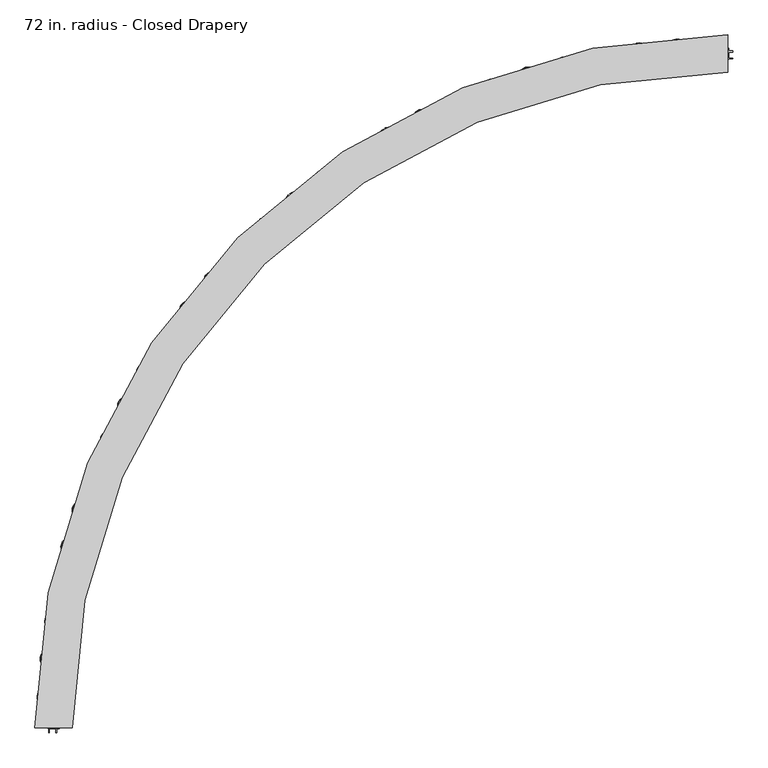
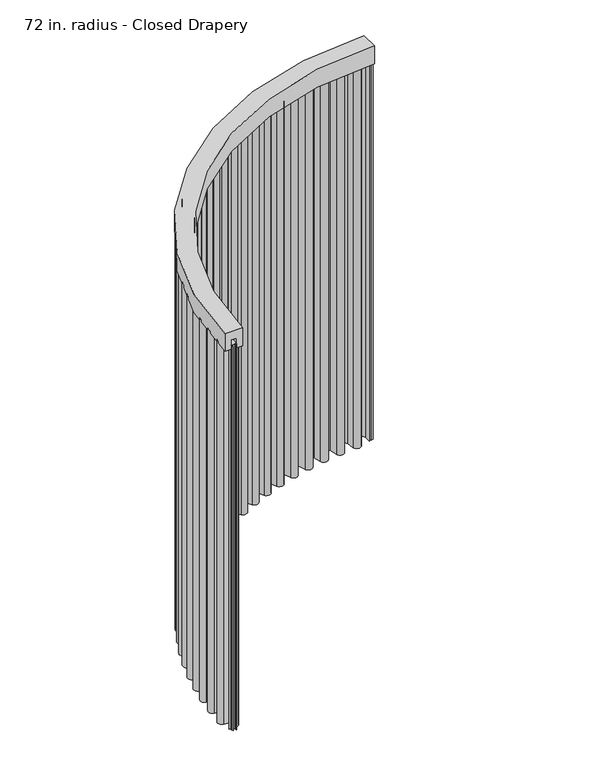
"""IFC4 building model written with IfcOpenShell, lengths in millimetres: furniture geometry, 72 in. radius - Closed Drapery."""

from ifc_helpers import new_model, si_unit, point, frame, frame_2d, origin, place, context, project, spatial, polyline, circle_curve, trimmed, segment, composite_curve, outline, extrude, source, transform, mapped, element, save
from ifc_brep_helpers import plane_surface, cylinder_surface, revolved_surface, advanced_brep


def furniture_72_in_radius_closed_drapery_8a0c59e8(model_context):
    return source(origin(), model_context, "Body", "SolidModel", [
        advanced_brep(
        [(38.1006913, 1880.0004562, 2438.4), (38.1006913, 1778.4004562, 2438.4), (38.1006913, 1778.4004562, 2331.8390625), (38.1006913, 1813.9821615, 2331.8390625), (38.1006913, 1813.9821615, 2388.7001663), (38.1006913, 1844.418751, 2388.7001663), (38.1006913, 1844.418751, 2331.8390625), (38.1006913, 1880.0004562, 2331.8390625), (-1841.899765, 0.0, 2438.4), (-1841.899765, 0.0, 2331.8390625), (-1806.3180598, 0.0, 2331.8390625), (-1806.3180598, 0.0, 2388.7001663), (-1775.8814702, 0.0, 2388.7001663), (-1775.8814702, 0.0, 2331.8390625), (-1740.299765, 0.0, 2331.8390625), (-1740.299765, 0.0, 2438.4)],
        [
            (0, 1),
            (1, 2),
            (2, 3),
            (3, 4),
            (4, 5),
            (5, 6),
            (6, 7),
            (7, 0),
            (8, 9),
            (9, 10),
            (10, 11),
            (11, 12),
            (12, 13),
            (13, 14),
            (14, 15),
            (15, 8),
            (15, 1, circle_curve(frame((38.1006913, 0.0, 2438.4), z_axis=(0.0, 0.0, -1.0), x_axis=(0.0, 1.0, 0.0)), 1778.4004562)),
            (0, 8, circle_curve(frame((38.1006913, 0.0, 2438.4), z_axis=(0.0, 0.0, 1.0), x_axis=(0.0, 1.0, 0.0)), 1880.0004562)),
            (14, 2, circle_curve(frame((38.1006913, 0.0, 2331.8390625), z_axis=(0.0, 0.0, -1.0), x_axis=(0.0, 1.0, 0.0)), 1778.4004562)),
            (7, 9, circle_curve(frame((38.1006913, 0.0, 2331.8390625), z_axis=(0.0, 0.0, 1.0), x_axis=(0.0, 1.0, 0.0)), 1880.0004562)),
            (13, 3, circle_curve(frame((38.1006913, 0.0, 2331.8390625), z_axis=(0.0, 0.0, -1.0), x_axis=(0.0, 1.0, 0.0)), 1813.9821615)),
            (12, 4, circle_curve(frame((38.1006913, 0.0, 2388.7001663), z_axis=(0.0, 0.0, -1.0), x_axis=(0.0, 1.0, 0.0)), 1813.9821615)),
            (11, 5, circle_curve(frame((38.1006913, 0.0, 2388.7001663), z_axis=(0.0, 0.0, -1.0), x_axis=(0.0, 1.0, 0.0)), 1844.418751)),
            (10, 6, circle_curve(frame((38.1006913, 0.0, 2331.8390625), z_axis=(0.0, 0.0, -1.0), x_axis=(0.0, 1.0, 0.0)), 1844.418751)),
        ],
        [
            plane_surface(frame((38.1006913, 0.0, 2451.1), z_axis=(1.0, 0.0, 0.0), x_axis=(0.0, 1.0, 0.0))),
            plane_surface(frame((38.1006913, 0.0, 2451.1), z_axis=(0.0, -1.0, 0.0), x_axis=(-1.0, 0.0, 0.0))),
            plane_surface(frame((38.1006913, 0.0, 2438.4), z_axis=(0.0, 0.0, 1.0), x_axis=(0.0, 1.0, 0.0))),
            revolved_surface(polyline([(38.1006913, 1778.4004562, 2438.4), (38.1006913, 1778.4004562, 2331.8390625)]), (38.1006913, 0.0, 2451.1), (0.0, 0.0, 1.0)),
            cylinder_surface(frame((38.1006913, 0.0, 2451.1), z_axis=(0.0, 0.0, 1.0), x_axis=(0.0, 1.0, 0.0)), 1880.0004562),
            plane_surface(frame((38.1006913, 0.0, 2331.8390625), z_axis=(0.0, 0.0, -1.0), x_axis=(0.0, 1.0, 0.0))),
            cylinder_surface(frame((38.1006913, 0.0, 2451.1), z_axis=(0.0, 0.0, 1.0), x_axis=(0.0, 1.0, 0.0)), 1813.9821615),
            plane_surface(frame((38.1006913, 0.0, 2388.7001663), z_axis=(0.0, 0.0, -1.0), x_axis=(0.0, 1.0, 0.0))),
            revolved_surface(polyline([(38.1006913, 1844.418751, 2388.7001663), (38.1006913, 1844.418751, 2331.8390625)]), (38.1006913, 0.0, 2451.1), (0.0, 0.0, 1.0)),
        ],
        [
            (0, [[1, 2, 3, 4, 5, 6, 7, 8]]),
            (1, [[9, 10, 11, 12, 13, 14, 15, 16]]),
            (2, [[17, -1, 18, -16]]),
            (3, [[19, -2, -17, -15]]),
            (4, [[-18, -8, 20, -9]]),
            (5, [[21, -3, -19, -14]]),
            (6, [[22, -4, -21, -13]]),
            (7, [[23, -5, -22, -12]]),
            (8, [[24, -6, -23, -11]]),
            (5, [[-20, -7, -24, -10]]),
        ],
    ),
        extrude(outline(composite_curve([segment(polyline([(-1813.2675039, 8.7991729), (-1813.2675039, 9.5929229), (-1772.6295579, 9.5929229)]), True, "CONTINUOUS"), segment(trimmed(circle_curve(frame_2d((-1772.6295579, 32.2004487)), 22.6075258), [point((-1772.6295579, 9.5929229))], [point((-1769.6769803, 54.6143396))], True, "CARTESIAN"), True, "CONTINUOUS"), segment(polyline([(-1769.6769803, 54.6143396), (-1814.6857035, 60.54333)]), True, "CONTINUOUS"), segment(trimmed(circle_curve(frame_2d((-1811.5275882, 84.5175193)), 24.1813036), [point((-1814.6857035, 60.54333))], [point((-1812.4998595, 108.6792688))], False, "CARTESIAN"), True, "CONTINUOUS"), segment(polyline([(-1812.4998595, 108.6792688), (-1767.1091523, 110.5057956)]), True, "CONTINUOUS"), segment(trimmed(circle_curve(frame_2d((-1768.0180469, 133.0925785)), 22.6050625), [point((-1767.1091523, 110.5057956))], [point((-1763.8193529, 155.3042831))], True, "CARTESIAN"), True, "CONTINUOUS"), segment(polyline([(-1763.8193529, 155.3042831), (-1808.286458, 163.7099309)]), True, "CONTINUOUS"), segment(trimmed(circle_curve(frame_2d((-1803.7922369, 187.4850177)), 24.1961314), [point((-1808.286458, 163.7099309))], [point((-1803.4140194, 211.6781929))], False, "CARTESIAN"), True, "CONTINUOUS"), segment(polyline([(-1803.4140194, 211.6781929), (-1758.1420693, 210.9704462)]), True, "CONTINUOUS"), segment(trimmed(circle_curve(frame_2d((-1757.788763, 233.5701509)), 22.6024662), [point((-1758.1420693, 210.9704462))], [point((-1752.3573521, 255.5103253))], True, "CARTESIAN"), True, "CONTINUOUS"), segment(polyline([(-1752.3573521, 255.5103253), (-1796.4292649, 266.4205699)]), True, "CONTINUOUS"), segment(trimmed(circle_curve(frame_2d((-1790.6174697, 289.897306)), 24.1854108), [point((-1796.4292649, 266.4205699))], [point((-1788.8901204, 314.0209533))], False, "CARTESIAN"), True, "CONTINUOUS"), segment(polyline([(-1788.8901204, 314.0209533), (-1743.5851539, 310.7769372)]), True, "CONTINUOUS"), segment(trimmed(circle_curve(frame_2d((-1741.9710116, 333.3195691)), 22.6003475), [point((-1743.5851539, 310.7769372))], [point((-1735.3239561, 354.9203182))], True, "CARTESIAN"), True, "CONTINUOUS"), segment(polyline([(-1735.3239561, 354.9203182), (-1778.5125348, 368.2104535)]), True, "CONTINUOUS"), segment(trimmed(circle_curve(frame_2d((-1771.3933974, 391.345314)), 24.2054516), [point((-1778.5125348, 368.2104535))], [point((-1768.3195733, 415.3548016))], False, "CARTESIAN"), True, "CONTINUOUS"), segment(polyline([(-1768.3195733, 415.3548016), (-1723.5637359, 409.6249178)]), True, "CONTINUOUS"), segment(trimmed(circle_curve(frame_2d((-1720.6927841, 432.0497797)), 22.6078923), [point((-1723.5637359, 409.6249178))], [point((-1712.8477053, 453.2528817))], True, "CARTESIAN"), True, "CONTINUOUS"), segment(polyline([(-1712.8477053, 453.2528817), (-1755.3793884, 468.9894662)]), True, "CONTINUOUS"), segment(trimmed(circle_curve(frame_2d((-1746.9867429, 491.6724911)), 24.1858661), [point((-1755.3793884, 468.9894662))], [point((-1742.5810222, 515.4536967))], False, "CARTESIAN"), True, "CONTINUOUS"), segment(polyline([(-1742.5810222, 515.4536967), (-1697.7640357, 507.1508743)]), True, "CONTINUOUS"), segment(trimmed(circle_curve(frame_2d((-1693.6505392, 529.3547116)), 22.5816572), [point((-1697.7640357, 507.1508743))], [point((-1684.644538, 550.0627581))], True, "CARTESIAN"), True, "CONTINUOUS"), segment(polyline([(-1684.644538, 550.0627581), (-1726.3426429, 568.1974083)]), True, "CONTINUOUS"), segment(trimmed(circle_curve(frame_2d((-1716.6931292, 590.3851225)), 24.1952015), [point((-1726.3426429, 568.1974083))], [point((-1710.9645402, 613.8923776))], False, "CARTESIAN"), True, "CONTINUOUS"), segment(polyline([(-1710.9645402, 613.8923776), (-1667.1292609, 603.2099608)]), True, "CONTINUOUS"), segment(trimmed(circle_curve(frame_2d((-1661.7731813, 625.1886241)), 22.621875), [point((-1667.1292609, 603.2099608))], [point((-1651.6072198, 645.3975937))], True, "CARTESIAN"), True, "CONTINUOUS"), segment(polyline([(-1651.6072198, 645.3975937), (-1691.7651569, 665.5987249)]), True, "CONTINUOUS"), segment(trimmed(circle_curve(frame_2d((-1680.8857945, 687.2258679)), 24.209375), [point((-1691.7651569, 665.5987249))], [point((-1673.8498546, 710.390267))], False, "CARTESIAN"), True, "CONTINUOUS"), segment(polyline([(-1673.8498546, 710.390267), (-1630.8375466, 697.3257357)]), True, "CONTINUOUS"), segment(trimmed(circle_curve(frame_2d((-1624.2629798, 718.9711579)), 22.621875), [point((-1630.8375466, 697.3257357))], [point((-1612.9847645, 738.5811321))], True, "CARTESIAN"), True, "CONTINUOUS"), segment(polyline([(-1612.9847645, 738.5811321), (-1651.9526335, 760.9925851)]), True, "CONTINUOUS"), segment(trimmed(circle_curve(frame_2d((-1639.8829645, 781.9786979)), 24.209375), [point((-1651.9526335, 760.9925851))], [point((-1631.564904, 804.7142143))], False, "CARTESIAN"), True, "CONTINUOUS"), segment(polyline([(-1631.564904, 804.7142143), (-1589.3483107, 789.268769)]), True, "CONTINUOUS"), segment(trimmed(circle_curve(frame_2d((-1581.5756968, 810.5134319)), 22.621875), [point((-1589.3483107, 789.268769))], [point((-1569.2204104, 829.4632637))], True, "CARTESIAN"), True, "CONTINUOUS"), segment(polyline([(-1569.2204104, 829.4632637), (-1606.8765453, 854.0150556)]), True, "CONTINUOUS"), segment(trimmed(circle_curve(frame_2d((-1593.6542213, 874.2947002)), 24.209375), [point((-1606.8765453, 854.0150556))], [point((-1584.0799774, 896.5304303))], False, "CARTESIAN"), True, "CONTINUOUS"), segment(polyline([(-1584.0799774, 896.5304303), (-1542.7920826, 878.7527196)]), True, "CONTINUOUS"), segment(trimmed(circle_curve(frame_2d((-1533.8456579, 899.5303691)), 22.621875), [point((-1542.7920826, 878.7527196))], [point((-1520.4517928, 917.7609369))], True, "CARTESIAN"), True, "CONTINUOUS"), segment(polyline([(-1520.4517928, 917.7609369), (-1556.6783212, 944.3763028)]), True, "CONTINUOUS"), segment(trimmed(circle_curve(frame_2d((-1542.3445357, 963.8862088)), 24.209375), [point((-1556.6783212, 944.3763028))], [point((-1531.5440207, 985.5528355))], False, "CARTESIAN"), True, "CONTINUOUS"), segment(polyline([(-1531.5440207, 985.5528355), (-1491.3127076, 965.49808)]), True, "CONTINUOUS"), segment(trimmed(circle_curve(frame_2d((-1481.220423, 985.7439443)), 22.621875), [point((-1491.3127076, 965.49808))], [point((-1466.8298301, 1003.1984584))], True, "CARTESIAN"), True, "CONTINUOUS"), segment(polyline([(-1466.8298301, 1003.1984584), (-1501.5145614, 1031.7947198)]), True, "CONTINUOUS"), segment(trimmed(circle_curve(frame_2d((-1486.1141024, 1050.4741121)), 24.209375), [point((-1501.5145614, 1031.7947198))], [point((-1474.1209556, 1071.5040495))], False, "CARTESIAN"), True, "CONTINUOUS"), segment(polyline([(-1474.1209556, 1071.5040495), (-1435.0715605, 1049.2346001)]), True, "CONTINUOUS"), segment(trimmed(circle_curve(frame_2d((-1423.8648496, 1068.8855253)), 22.621875), [point((-1435.0715605, 1049.2346001))], [point((-1408.5223554, 1085.509517))], True, "CARTESIAN"), True, "CONTINUOUS"), segment(polyline([(-1408.5223554, 1085.509517), (-1441.5564396, 1115.9970949)]), True, "CONTINUOUS"), segment(trimmed(circle_curve(frame_2d((-1425.1372792, 1133.7876826)), 24.209375), [point((-1441.5564396, 1115.9970949))], [point((-1411.9889102, 1154.1153541))], False, "CARTESIAN"), True, "CONTINUOUS"), segment(polyline([(-1411.9889102, 1154.1153541), (-1374.2437703, 1129.7009971)]), True, "CONTINUOUS"), segment(trimmed(circle_curve(frame_2d((-1361.9575893, 1148.6957065)), 22.621875), [point((-1374.2437703, 1129.7009971))], [point((-1345.7110388, 1164.4373336))], True, "CARTESIAN"), True, "CONTINUOUS"), segment(polyline([(-1345.7110388, 1164.4373336), (-1376.9916265, 1196.7212674)]), True, "CONTINUOUS"), segment(trimmed(circle_curve(frame_2d((-1359.6049671, 1213.5675701)), 24.209375), [point((-1376.9916265, 1196.7212674))], [point((-1345.3423961, 1233.1295973))], False, "CARTESIAN"), True, "CONTINUOUS"), segment(polyline([(-1345.3423961, 1233.1295973), (-1309.0188842, 1206.6463159)]), True, "CONTINUOUS"), segment(trimmed(circle_curve(frame_2d((-1295.6915637, 1224.9255872)), 22.621875), [point((-1309.0188842, 1206.6463159))], [point((-1278.5916131, 1239.7357497))], True, "CARTESIAN"), True, "CONTINUOUS"), segment(polyline([(-1278.5916131, 1239.7357497), (-1308.0214637, 1273.7157274)]), True, "CONTINUOUS"), segment(trimmed(circle_curve(frame_2d((-1289.7215165, 1289.5651997)), 24.209375), [point((-1308.0214637, 1273.7157274))], [point((-1274.3891813, 1308.3005495))], False, "CARTESIAN"), True, "CONTINUOUS"), segment(polyline([(-1274.3891813, 1308.3005495), (-1239.6008033, 1279.8309945)]), True, "CONTINUOUS"), segment(trimmed(circle_curve(frame_2d((-1225.2738671, 1297.3377968)), 22.621875), [point((-1239.6008033, 1279.8309945))], [point((-1207.3738537, 1311.1703218))], True, "CARTESIAN"), True, "CONTINUOUS"), segment(polyline([(-1207.3738537, 1311.1703218), (-1234.8608729, 1346.7399672)]), True, "CONTINUOUS"), segment(trimmed(circle_curve(frame_2d((-1215.7047182, 1361.5431958)), 24.209375), [point((-1234.8608729, 1346.7399672))], [point((-1199.3504829, 1379.393485))], False, "CARTESIAN"), True, "CONTINUOUS"), segment(polyline([(-1199.3504829, 1379.393485), (-1166.2058206, 1349.0267163)]), True, "CONTINUOUS"), segment(trimmed(circle_curve(frame_2d((-1150.9239942, 1365.7064948)), 22.621875), [point((-1166.2058206, 1349.0267163))], [point((-1132.279733, 1378.5182376))], True, "CARTESIAN"), True, "CONTINUOUS"), segment(polyline([(-1132.279733, 1378.5182376), (-1157.738412, 1415.5669253)]), True, "CONTINUOUS"), segment(trimmed(circle_curve(frame_2d((-1137.7857816, 1429.2777378)), 24.209375), [point((-1157.738412, 1415.5669253))], [point((-1120.4605652, 1446.1872237))], False, "CARTESIAN"), True, "CONTINUOUS"), segment(polyline([(-1120.4605652, 1446.1872237), (-1089.062185, 1414.0168941)]), True, "CONTINUOUS"), segment(trimmed(circle_curve(frame_2d((-1072.8730483, 1429.8175613)), 22.621875), [point((-1089.062185, 1414.0168941))], [point((-1053.5426951, 1441.5685899))], True, "CARTESIAN"), True, "CONTINUOUS"), segment(polyline([(-1053.5426951, 1441.5685899), (-1076.8938403, 1479.9810469)]), True, "CONTINUOUS"), segment(trimmed(circle_curve(frame_2d((-1056.2069711, 1492.5567091)), 24.209375), [point((-1076.8938403, 1479.9810469))], [point((-1037.9648725, 1508.4727287))], False, "CARTESIAN"), True, "CONTINUOUS"), segment(polyline([(-1037.9648725, 1508.4727287), (-1008.4114706, 1474.6001849)]), True, "CONTINUOUS"), segment(trimmed(circle_curve(frame_2d((-991.3655753, 1489.4725311)), 22.621875), [point((-1008.4114706, 1474.6001849))], [point((-971.4093961, 1500.1261756))], True, "CARTESIAN"), True, "CONTINUOUS"), segment(polyline([(-971.4093961, 1500.1261756), (-992.5797144, 1539.7819631)]), True, "CONTINUOUS"), segment(trimmed(circle_curve(frame_2d((-971.2231016, 1551.1832318)), 24.209375), [point((-992.5797144, 1539.7819631))], [point((-952.1210116, 1566.0561601))], False, "CARTESIAN"), True, "CONTINUOUS"), segment(polyline([(-952.1210116, 1566.0561601), (-924.5043905, 1530.5866701)]), True, "CONTINUOUS"), segment(trimmed(circle_curve(frame_2d((-906.6548966, 1544.4843244)), 22.621875), [point((-924.5043905, 1530.5866701))], [point((-886.1351386, 1554.007389))], True, "CARTESIAN"), True, "CONTINUOUS"), segment(polyline([(-886.1351386, 1554.007389), (-905.0586836, 1594.7827672)]), True, "CONTINUOUS"), segment(trimmed(circle_curve(frame_2d((-883.0989426, 1604.9741171)), 24.209375), [point((-905.0586836, 1594.7827672))], [point((-863.1964067, 1618.7575457))], False, "CARTESIAN"), True, "CONTINUOUS"), segment(polyline([(-863.1964067, 1618.7575457), (-837.6029731, 1581.8019925)]), True, "CONTINUOUS"), segment(trimmed(circle_curve(frame_2d((-819.0055215, 1594.6815897)), 22.621875), [point((-837.6029731, 1581.8019925))], [point((-797.9861596, 1603.0443436))], True, "CARTESIAN"), True, "CONTINUOUS"), segment(polyline([(-797.9861596, 1603.0443436), (-814.6040421, 1644.8125569)]), True, "CONTINUOUS"), segment(trimmed(circle_curve(frame_2d((-792.1096373, 1653.7621707)), 24.209375), [point((-814.6040421, 1644.8125569))], [point((-771.4687111, 1666.4130998))], False, "CARTESIAN"), True, "CONTINUOUS"), segment(polyline([(-771.4687111, 1666.4130998), (-747.9778893, 1628.0860872)]), True, "CONTINUOUS"), segment(trimmed(circle_curve(frame_2d((-728.6904665, 1639.9074471)), 22.621875), [point((-747.9778893, 1628.0860872))], [point((-707.2370656, 1647.0838541))], True, "CARTESIAN"), True, "CONTINUOUS"), segment(polyline([(-707.2370656, 1647.0838541), (-721.4975431, 1689.7146217)]), True, "CONTINUOUS"), segment(trimmed(circle_curve(frame_2d((-698.5386403, 1697.3946363)), 24.209375), [point((-721.4975431, 1689.7146217))], [point((-677.2237153, 1708.8736523))], False, "CARTESIAN"), True, "CONTINUOUS"), segment(polyline([(-677.2237153, 1708.8736523), (-655.9091491, 1669.2954882)]), True, "CONTINUOUS"), segment(trimmed(circle_curve(frame_2d((-635.9919241, 1680.0217819)), 22.621875), [point((-655.9091491, 1669.2954882))], [point((-614.1713746, 1685.9894323))], True, "CARTESIAN"), True, "CONTINUOUS"), segment(polyline([(-614.1713746, 1685.9894323), (-626.0299477, 1729.3499784)]), True, "CONTINUOUS"), segment(trimmed(circle_curve(frame_2d((-602.6781317, 1735.7364113)), 24.209375), [point((-626.0299477, 1729.3499784))], [point((-580.7556498, 1746.0076636))], False, "CARTESIAN"), True, "CONTINUOUS"), segment(polyline([(-580.7556498, 1746.0076636), (-561.6835639, 1705.3010932)]), True, "CONTINUOUS"), segment(trimmed(circle_curve(frame_2d((-541.1986218, 1714.8988209)), 22.621875), [point((-561.6835639, 1705.3010932))], [point((-519.0789674, 1719.6390866))], True, "CARTESIAN"), True, "CONTINUOUS"), segment(polyline([(-519.0789674, 1719.6390866), (-528.498553, 1763.5940017)]), True, "CONTINUOUS"), segment(trimmed(circle_curve(frame_2d((-504.8266421, 1768.6669176)), 24.209375), [point((-528.498553, 1763.5940017))], [point((-482.3649866, 1777.6984107))], False, "CARTESIAN"), True, "CONTINUOUS"), segment(polyline([(-482.3649866, 1777.6984107), (-465.5949678, 1735.9907572)]), True, "CONTINUOUS"), segment(trimmed(circle_curve(frame_2d((-444.6062077, 1744.4300213)), 22.621875), [point((-465.5949678, 1735.9907572))], [point((-422.2564376, 1747.9281644))], True, "CARTESIAN"), True, "CONTINUOUS"), segment(polyline([(-422.2564376, 1747.9281644), (-429.2077427, 1792.3403186)]), True, "CONTINUOUS"), segment(trimmed(circle_curve(frame_2d((-405.2895677, 1796.0839454)), 24.209375), [point((-429.2077427, 1792.3403186))], [point((-382.3587904, 1803.8475328))], False, "CARTESIAN"), True, "CONTINUOUS"), segment(polyline([(-382.3587904, 1803.8475328), (-367.9431125, 1761.2689311)]), True, "CONTINUOUS"), segment(trimmed(circle_curve(frame_2d((-346.5159927, 1768.5234308)), 22.621875), [point((-367.9431125, 1761.2689311))], [point((-324.0057991, 1770.7685167))], True, "CARTESIAN"), True, "CONTINUOUS"), segment(polyline([(-324.0057991, 1770.7685167), (-328.467077, 1815.4992011)]), True, "CONTINUOUS"), segment(trimmed(circle_curve(frame_2d((-304.3772207, 1817.9018369)), 24.209375), [point((-328.467077, 1815.4992011))], [point((-281.0488231, 1824.3732901))], False, "CARTESIAN"), True, "CONTINUOUS"), segment(polyline([(-281.0488231, 1824.3732901), (-269.0323872, 1781.0562501)]), True, "CONTINUOUS"), segment(trimmed(circle_curve(frame_2d((-247.2337206, 1787.1033457)), 22.621875), [point((-269.0323872, 1781.0562501))], [point((-224.6333019, 1788.0883838))], True, "CARTESIAN"), True, "CONTINUOUS"), segment(polyline([(-224.6333019, 1788.0883838), (-226.5907125, 1832.9986255)]), True, "CONTINUOUS"), segment(trimmed(circle_curve(frame_2d((-202.4042994, 1834.0527891)), 24.209375), [point((-226.5907125, 1832.9986255))], [point((-178.7510289, 1839.2119199))], False, "CARTESIAN"), True, "CONTINUOUS"), segment(polyline([(-178.7510289, 1839.2119199), (-169.1713628, 1795.2916473)]), True, "CONTINUOUS"), segment(trimmed(circle_curve(frame_2d((-147.0691264, 1800.1124745)), 22.621875), [point((-169.1713628, 1795.2916473))], [point((-124.4489607, 1799.834385))], True, "CARTESIAN"), True, "CONTINUOUS"), segment(polyline([(-124.4489607, 1799.834385), (-123.8963582, 1844.7837917)]), True, "CONTINUOUS"), segment(trimmed(circle_curve(frame_2d((-99.6888125, 1844.4861871)), 24.209375), [point((-123.8963582, 1844.7837917))], [point((-75.7844324, 1848.3169115))], False, "CARTESIAN"), True, "CONTINUOUS"), segment(polyline([(-75.7844324, 1848.3169115), (-68.6714093, 1803.9304224)]), True, "CONTINUOUS"), segment(trimmed(circle_curve(frame_2d((-46.3345295, 1807.5099517)), 22.621875), [point((-68.6714093, 1803.9304224))], [point((-23.7651576, 1805.9696015))], True, "CARTESIAN"), True, "CONTINUOUS"), segment(polyline([(-23.7651576, 1805.9696015), (-20.7230836, 1850.5423857)]), True, "CONTINUOUS"), segment(trimmed(circle_curve(frame_2d((3.4301039, 1848.8939406)), 24.209375), [point((-20.7230836, 1850.5423857))], [point((27.6394789, 1848.8939406))], False, "CARTESIAN"), True, "CONTINUOUS"), segment(polyline([(27.6394789, 1848.8939406), (27.6394789, 1809.2121951), (26.8457289, 1809.2121951), (26.8457289, 1848.8939406)]), True, "CONTINUOUS"), segment(trimmed(circle_curve(frame_2d((3.4301039, 1848.8939406)), 23.415625), [point((26.8457289, 1848.8939406))], [point((-19.9311758, 1850.4883383))], True, "CARTESIAN"), True, "CONTINUOUS"), segment(polyline([(-19.9311758, 1850.4883383), (-22.9732498, 1805.9155541)]), True, "CONTINUOUS"), segment(trimmed(circle_curve(frame_2d((-46.3345295, 1807.5099517)), 23.415625), [point((-22.9732498, 1805.9155541))], [point((-69.4551595, 1803.8048249))], False, "CARTESIAN"), True, "CONTINUOUS"), segment(polyline([(-69.4551595, 1803.8048249), (-76.5681825, 1848.1913139)]), True, "CONTINUOUS"), segment(trimmed(circle_curve(frame_2d((-99.6888125, 1844.4861871)), 23.415625), [point((-76.5681825, 1848.1913139))], [point((-123.1026682, 1844.7740341))], True, "CARTESIAN"), True, "CONTINUOUS"), segment(polyline([(-123.1026682, 1844.7740341), (-123.6552707, 1799.8246275)]), True, "CONTINUOUS"), segment(trimmed(circle_curve(frame_2d((-147.0691264, 1800.1124745)), 23.415625), [point((-123.6552707, 1799.8246275))], [point((-169.9468798, 1795.1224955))], False, "CARTESIAN"), True, "CONTINUOUS"), segment(polyline([(-169.9468798, 1795.1224955), (-179.526546, 1839.0427681)]), True, "CONTINUOUS"), segment(trimmed(circle_curve(frame_2d((-202.4042994, 1834.0527891)), 23.415625), [point((-179.526546, 1839.0427681))], [point((-225.7977153, 1833.0331882))], True, "CARTESIAN"), True, "CONTINUOUS"), segment(polyline([(-225.7977153, 1833.0331882), (-223.8403047, 1788.1229466)]), True, "CONTINUOUS"), segment(trimmed(circle_curve(frame_2d((-247.2337206, 1787.1033457)), 23.415625), [point((-223.8403047, 1788.1229466))], [point((-269.7972527, 1780.8440713))], False, "CARTESIAN"), True, "CONTINUOUS"), segment(polyline([(-269.7972527, 1780.8440713), (-281.8136886, 1824.1611113)]), True, "CONTINUOUS"), segment(trimmed(circle_curve(frame_2d((-304.3772207, 1817.9018369)), 23.415625), [point((-281.8136886, 1824.1611113))], [point((-327.6772457, 1815.577976))], True, "CARTESIAN"), True, "CONTINUOUS"), segment(polyline([(-327.6772457, 1815.577976), (-323.2159677, 1770.8472917)]), True, "CONTINUOUS"), segment(trimmed(circle_curve(frame_2d((-346.5159927, 1768.5234308)), 23.415625), [point((-323.2159677, 1770.8472917))], [point((-368.6949413, 1761.0143872))], False, "CARTESIAN"), True, "CONTINUOUS"), segment(polyline([(-368.6949413, 1761.0143872), (-383.1106191, 1803.592989)]), True, "CONTINUOUS"), segment(trimmed(circle_curve(frame_2d((-405.2895677, 1796.0839454)), 23.415625), [point((-383.1106191, 1803.592989))], [point((-428.4235402, 1792.4630604))], True, "CARTESIAN"), True, "CONTINUOUS"), segment(polyline([(-428.4235402, 1792.4630604), (-421.4722351, 1748.0509062)]), True, "CONTINUOUS"), segment(trimmed(circle_curve(frame_2d((-444.6062077, 1744.4300213)), 23.415625), [point((-421.4722351, 1748.0509062))], [point((-466.3314155, 1735.6946427))], False, "CARTESIAN"), True, "CONTINUOUS"), segment(polyline([(-466.3314155, 1735.6946427), (-483.1014343, 1777.4022962)]), True, "CONTINUOUS"), segment(trimmed(circle_curve(frame_2d((-504.8266421, 1768.6669176)), 23.415625), [point((-483.1014343, 1777.4022962))], [point((-527.7224247, 1763.7603268))], True, "CARTESIAN"), True, "CONTINUOUS"), segment(polyline([(-527.7224247, 1763.7603268), (-518.3028392, 1719.8054117)]), True, "CONTINUOUS"), segment(trimmed(circle_curve(frame_2d((-541.1986218, 1714.8988209)), 23.415625), [point((-518.3028392, 1719.8054117))], [point((-562.4023338, 1704.9643309))], False, "CARTESIAN"), True, "CONTINUOUS"), segment(polyline([(-562.4023338, 1704.9643309), (-581.4744197, 1745.6709013)]), True, "CONTINUOUS"), segment(trimmed(circle_curve(frame_2d((-602.6781317, 1735.7364113)), 23.415625), [point((-581.4744197, 1745.6709013))], [point((-625.2643144, 1729.5593696))], True, "CARTESIAN"), True, "CONTINUOUS"), segment(polyline([(-625.2643144, 1729.5593696), (-613.4057413, 1686.1988235)]), True, "CONTINUOUS"), segment(trimmed(circle_curve(frame_2d((-635.9919241, 1680.0217819)), 23.415625), [point((-613.4057413, 1686.1988235))], [point((-656.6079991, 1668.919127))], False, "CARTESIAN"), True, "CONTINUOUS"), segment(polyline([(-656.6079991, 1668.919127), (-677.9225653, 1708.4972911)]), True, "CONTINUOUS"), segment(trimmed(circle_curve(frame_2d((-698.5386403, 1697.3946363)), 23.415625), [point((-677.9225653, 1708.4972911))], [point((-720.7447921, 1689.9664255))], True, "CARTESIAN"), True, "CONTINUOUS"), segment(polyline([(-720.7447921, 1689.9664255), (-706.4843147, 1647.3356579)]), True, "CONTINUOUS"), segment(trimmed(circle_curve(frame_2d((-728.6904665, 1639.9074471)), 23.415625), [point((-706.4843147, 1647.3356579))], [point((-748.654641, 1627.6713026))], False, "CARTESIAN"), True, "CONTINUOUS"), segment(polyline([(-748.654641, 1627.6713026), (-772.1454628, 1665.9983152)]), True, "CONTINUOUS"), segment(trimmed(circle_curve(frame_2d((-792.1096373, 1653.7621707)), 23.415625), [point((-772.1454628, 1665.9983152))], [point((-813.8665207, 1645.1059869))], True, "CARTESIAN"), True, "CONTINUOUS"), segment(polyline([(-813.8665207, 1645.1059869), (-797.2486381, 1603.3377735)]), True, "CONTINUOUS"), segment(trimmed(circle_curve(frame_2d((-819.0055215, 1594.6815897)), 23.415625), [point((-797.2486381, 1603.3377735))], [point((-838.2555152, 1581.3500768))], False, "CARTESIAN"), True, "CONTINUOUS"), segment(polyline([(-838.2555152, 1581.3500768), (-863.8489489, 1618.30563)]), True, "CONTINUOUS"), segment(trimmed(circle_curve(frame_2d((-883.0989426, 1604.9741171)), 23.415625), [point((-863.8489489, 1618.30563))], [point((-904.3386921, 1595.1169098))], True, "CARTESIAN"), True, "CONTINUOUS"), segment(polyline([(-904.3386921, 1595.1169098), (-885.4151471, 1554.3415317)]), True, "CONTINUOUS"), segment(trimmed(circle_curve(frame_2d((-906.6548966, 1544.4843244)), 23.415625), [point((-885.4151471, 1554.3415317))], [point((-925.1306886, 1530.0990331))], False, "CARTESIAN"), True, "CONTINUOUS"), segment(polyline([(-925.1306886, 1530.0990331), (-952.7473097, 1565.5685231)]), True, "CONTINUOUS"), segment(trimmed(circle_curve(frame_2d((-971.2231016, 1551.1832318)), 23.415625), [point((-952.7473097, 1565.5685231))], [point((-991.8794976, 1540.1557751))], True, "CARTESIAN"), True, "CONTINUOUS"), segment(polyline([(-991.8794976, 1540.1557751), (-970.7091793, 1500.4999877)]), True, "CONTINUOUS"), segment(trimmed(circle_curve(frame_2d((-991.3655753, 1489.4725311)), 23.415625), [point((-970.7091793, 1500.4999877))], [point((-1009.0095722, 1474.0783482))], False, "CARTESIAN"), True, "CONTINUOUS"), segment(polyline([(-1009.0095722, 1474.0783482), (-1038.5629741, 1507.950892)]), True, "CONTINUOUS"), segment(trimmed(circle_curve(frame_2d((-1056.2069711, 1492.5567091)), 23.415625), [point((-1038.5629741, 1507.950892))], [point((-1076.2155822, 1480.3933637))], True, "CARTESIAN"), True, "CONTINUOUS"), segment(polyline([(-1076.2155822, 1480.3933637), (-1052.8644371, 1441.9809067)]), True, "CONTINUOUS"), segment(trimmed(circle_curve(frame_2d((-1072.8730483, 1429.8175613)), 23.415625), [point((-1052.8644371, 1441.9809067))], [point((-1089.6302249, 1413.4624848))], False, "CARTESIAN"), True, "CONTINUOUS"), segment(polyline([(-1089.6302249, 1413.4624848), (-1121.028605, 1445.6328143)]), True, "CONTINUOUS"), segment(trimmed(circle_curve(frame_2d((-1137.7857816, 1429.2777378)), 23.415625), [point((-1121.028605, 1445.6328143))], [point((-1157.0842274, 1416.0164601))], True, "CARTESIAN"), True, "CONTINUOUS"), segment(polyline([(-1157.0842274, 1416.0164601), (-1131.6255484, 1378.9677725)]), True, "CONTINUOUS"), segment(trimmed(circle_curve(frame_2d((-1150.9239942, 1365.7064948)), 23.415625), [point((-1131.6255484, 1378.9677725))], [point((-1166.742025, 1348.4414609))], False, "CARTESIAN"), True, "CONTINUOUS"), segment(polyline([(-1166.742025, 1348.4414609), (-1199.8866874, 1378.8082296)]), True, "CONTINUOUS"), segment(trimmed(circle_curve(frame_2d((-1215.7047182, 1361.5431958)), 23.415625), [point((-1199.8866874, 1378.8082296))], [point((-1234.2328022, 1347.2253189))], True, "CARTESIAN"), True, "CONTINUOUS"), segment(polyline([(-1234.2328022, 1347.2253189), (-1206.7457831, 1311.6556736)]), True, "CONTINUOUS"), segment(trimmed(circle_curve(frame_2d((-1225.2738671, 1297.3377968)), 23.415625), [point((-1206.7457831, 1311.6556736))], [point((-1240.1035028, 1279.2167207))], False, "CARTESIAN"), True, "CONTINUOUS"), segment(polyline([(-1240.1035028, 1279.2167207), (-1274.8918808, 1307.6862757)]), True, "CONTINUOUS"), segment(trimmed(circle_curve(frame_2d((-1289.7215165, 1289.5651997)), 23.415625), [point((-1274.8918808, 1307.6862757))], [point((-1307.4214654, 1274.2353823))], True, "CARTESIAN"), True, "CONTINUOUS"), segment(polyline([(-1307.4214654, 1274.2353823), (-1277.9916148, 1240.2554046)]), True, "CONTINUOUS"), segment(trimmed(circle_curve(frame_2d((-1295.6915637, 1224.9255872)), 23.415625), [point((-1277.9916148, 1240.2554046))], [point((-1309.4865095, 1206.004938))], False, "CARTESIAN"), True, "CONTINUOUS"), segment(polyline([(-1309.4865095, 1206.004938), (-1345.8100214, 1232.4882193)]), True, "CONTINUOUS"), segment(trimmed(circle_curve(frame_2d((-1359.6049671, 1213.5675701)), 23.415625), [point((-1345.8100214, 1232.4882193))], [point((-1376.4215721, 1197.2736052))], True, "CARTESIAN"), True, "CONTINUOUS"), segment(polyline([(-1376.4215721, 1197.2736052), (-1345.1409844, 1164.9896714)]), True, "CONTINUOUS"), segment(trimmed(circle_curve(frame_2d((-1361.9575893, 1148.6957065)), 23.415625), [point((-1345.1409844, 1164.9896714))], [point((-1374.6748643, 1129.034516))], False, "CARTESIAN"), True, "CONTINUOUS"), segment(polyline([(-1374.6748643, 1129.034516), (-1412.4200042, 1153.4488731)]), True, "CONTINUOUS"), segment(trimmed(circle_curve(frame_2d((-1425.1372792, 1133.7876826)), 23.415625), [point((-1412.4200042, 1153.4488731))], [point((-1441.0181065, 1116.5803929))], True, "CARTESIAN"), True, "CONTINUOUS"), segment(polyline([(-1441.0181065, 1116.5803929), (-1407.9840223, 1086.092815)]), True, "CONTINUOUS"), segment(trimmed(circle_curve(frame_2d((-1423.8648496, 1068.8855253)), 23.415625), [point((-1407.9840223, 1086.092815))], [point((-1435.4647784, 1048.545094))], False, "CARTESIAN"), True, "CONTINUOUS"), segment(polyline([(-1435.4647784, 1048.545094), (-1474.5141735, 1070.8145434)]), True, "CONTINUOUS"), segment(trimmed(circle_curve(frame_2d((-1486.1141024, 1050.4741121)), 23.415625), [point((-1474.5141735, 1070.8145434))], [point((-1501.0096283, 1032.4071589))], True, "CARTESIAN"), True, "CONTINUOUS"), segment(polyline([(-1501.0096283, 1032.4071589), (-1466.324897, 1003.8108975)]), True, "CONTINUOUS"), segment(trimmed(circle_curve(frame_2d((-1481.220423, 985.7439443)), 23.415625), [point((-1466.324897, 1003.8108975))], [point((-1491.6668228, 964.7876988))], False, "CARTESIAN"), True, "CONTINUOUS"), segment(polyline([(-1491.6668228, 964.7876988), (-1531.8981359, 984.8424543)]), True, "CONTINUOUS"), segment(trimmed(circle_curve(frame_2d((-1542.3445357, 963.8862088)), 23.415625), [point((-1531.8981359, 984.8424543))], [point((-1556.208361, 945.0159719))], True, "CARTESIAN"), True, "CONTINUOUS"), segment(polyline([(-1556.208361, 945.0159719), (-1519.9818326, 918.400606)]), True, "CONTINUOUS"), segment(trimmed(circle_curve(frame_2d((-1533.8456579, 899.5303691)), 23.415625), [point((-1519.9818326, 918.400606))], [point((-1543.1059922, 878.0236793))], False, "CARTESIAN"), True, "CONTINUOUS"), segment(polyline([(-1543.1059922, 878.0236793), (-1584.3938871, 895.80139)]), True, "CONTINUOUS"), segment(trimmed(circle_curve(frame_2d((-1593.6542213, 874.2947002)), 23.415625), [point((-1584.3938871, 895.80139))], [point((-1606.4430265, 854.679962))], True, "CARTESIAN"), True, "CONTINUOUS"), segment(polyline([(-1606.4430265, 854.679962), (-1568.7868916, 830.1281701)]), True, "CONTINUOUS"), segment(trimmed(circle_curve(frame_2d((-1581.5756968, 810.5134319)), 23.415625), [point((-1568.7868916, 830.1281701))], [point((-1589.621034, 788.5233422))], False, "CARTESIAN"), True, "CONTINUOUS"), segment(polyline([(-1589.621034, 788.5233422), (-1631.8376273, 803.9687876)]), True, "CONTINUOUS"), segment(trimmed(circle_curve(frame_2d((-1639.8829645, 781.9786979)), 23.415625), [point((-1631.8376273, 803.9687876))], [point((-1651.5569066, 761.6806544))], True, "CARTESIAN"), True, "CONTINUOUS"), segment(polyline([(-1651.5569066, 761.6806544), (-1612.5890376, 739.2692013)]), True, "CONTINUOUS"), segment(trimmed(circle_curve(frame_2d((-1624.2629798, 718.9711579)), 23.415625), [point((-1612.5890376, 739.2692013))], [point((-1631.0682332, 696.5662472))], False, "CARTESIAN"), True, "CONTINUOUS"), segment(polyline([(-1631.0682332, 696.5662472), (-1674.0805411, 709.6307785)]), True, "CONTINUOUS"), segment(trimmed(circle_curve(frame_2d((-1680.8857945, 687.2258679)), 23.415625), [point((-1674.0805411, 709.6307785))], [point((-1691.4084565, 666.3078116))], True, "CARTESIAN"), True, "CONTINUOUS"), segment(polyline([(-1691.4084565, 666.3078116), (-1651.2505193, 646.1066804)]), True, "CONTINUOUS"), segment(trimmed(circle_curve(frame_2d((-1661.7731813, 625.1886241)), 23.415625), [point((-1651.2505193, 646.1066804))], [point((-1667.3171935, 602.4387796))], False, "CARTESIAN"), True, "CONTINUOUS"), segment(polyline([(-1667.3171935, 602.4387796), (-1711.1524728, 613.1211965)]), True, "CONTINUOUS"), segment(trimmed(circle_curve(frame_2d((-1716.6931292, 590.3851225)), 23.4014515), [point((-1711.1524728, 613.1211965))], [point((-1726.0260801, 568.9253005))], True, "CARTESIAN"), True, "CONTINUOUS"), segment(polyline([(-1726.0260801, 568.9253005), (-1684.3279752, 550.7906503)]), True, "CONTINUOUS"), segment(trimmed(circle_curve(frame_2d((-1693.6505392, 529.3547116)), 23.3754072), [point((-1684.3279752, 550.7906503))], [point((-1697.9086259, 506.3704048))], False, "CARTESIAN"), True, "CONTINUOUS"), segment(polyline([(-1697.9086259, 506.3704048), (-1742.7256125, 514.6732272)]), True, "CONTINUOUS"), segment(trimmed(circle_curve(frame_2d((-1746.9867429, 491.6724911)), 23.3921161), [point((-1742.7256125, 514.6732272))], [point((-1755.1039522, 469.7338948))], True, "CARTESIAN"), True, "CONTINUOUS"), segment(polyline([(-1755.1039522, 469.7338948), (-1712.5722691, 453.9973104)]), True, "CONTINUOUS"), segment(trimmed(circle_curve(frame_2d((-1720.6927841, 432.0497797)), 23.4016423), [point((-1712.5722691, 453.9973104))], [point((-1723.6645333, 408.8375939))], False, "CARTESIAN"), True, "CONTINUOUS"), segment(polyline([(-1723.6645333, 408.8375939), (-1768.4203708, 414.5674777)]), True, "CONTINUOUS"), segment(trimmed(circle_curve(frame_2d((-1771.3933974, 391.345314)), 23.4117016), [point((-1768.4203708, 414.5674777))], [point((-1778.2790827, 368.9690964))], True, "CARTESIAN"), True, "CONTINUOUS"), segment(polyline([(-1778.2790827, 368.9690964), (-1735.090504, 355.6789611)]), True, "CONTINUOUS"), segment(trimmed(circle_curve(frame_2d((-1741.9710116, 333.3195691)), 23.3940975), [point((-1735.090504, 355.6789611))], [point((-1743.6418444, 309.9852142))], False, "CARTESIAN"), True, "CONTINUOUS"), segment(polyline([(-1743.6418444, 309.9852142), (-1788.9468109, 313.2292304)]), True, "CONTINUOUS"), segment(trimmed(circle_curve(frame_2d((-1790.6174697, 289.897306)), 23.3916608), [point((-1788.9468109, 313.2292304))], [point((-1796.2385255, 267.1910617))], True, "CARTESIAN"), True, "CONTINUOUS"), segment(polyline([(-1796.2385255, 267.1910617), (-1752.1666126, 256.280817)]), True, "CONTINUOUS"), segment(trimmed(circle_curve(frame_2d((-1757.788763, 233.5701509)), 23.3962162), [point((-1752.1666126, 256.280817))], [point((-1758.1544767, 210.1767931))], False, "CARTESIAN"), True, "CONTINUOUS"), segment(polyline([(-1758.1544767, 210.1767931), (-1803.4264268, 210.8845398)]), True, "CONTINUOUS"), segment(trimmed(circle_curve(frame_2d((-1803.7922369, 187.4850177)), 23.4023814), [point((-1803.4264268, 210.8845398))], [point((-1808.1390259, 164.4898686))], True, "CARTESIAN"), True, "CONTINUOUS"), segment(polyline([(-1808.1390259, 164.4898686), (-1763.6719207, 156.0842208)]), True, "CONTINUOUS"), segment(trimmed(circle_curve(frame_2d((-1768.0180469, 133.0925785)), 23.3988125), [point((-1763.6719207, 156.0842208))], [point((-1767.0772376, 109.7126875))], False, "CARTESIAN"), True, "CONTINUOUS"), segment(polyline([(-1767.0772376, 109.7126875), (-1812.4679448, 107.8861606)]), True, "CONTINUOUS"), segment(trimmed(circle_curve(frame_2d((-1811.5275882, 84.5175193)), 23.3875536), [point((-1812.4679448, 107.8861606))], [point((-1814.5820386, 61.3302815))], True, "CARTESIAN"), True, "CONTINUOUS"), segment(polyline([(-1814.5820386, 61.3302815), (-1769.5733154, 55.4012911)]), True, "CONTINUOUS"), segment(trimmed(circle_curve(frame_2d((-1772.6295579, 32.2004487)), 23.4012758), [point((-1769.5733154, 55.4012911))], [point((-1772.6295579, 8.7991729))], False, "CARTESIAN"), True, "CONTINUOUS"), segment(polyline([(-1772.6295579, 8.7991729), (-1813.2675039, 8.7991729)]), True, "CONTINUOUS")], self_intersect=False)), frame((0.0, 0.0, 38.1), z_axis=(0.0, 0.0, 1.0), x_axis=(1.0, 0.0, 0.0)), (0.0, 0.0, 1.0), 2305.05),
        extrude(outline(polyline([(-1785.7851322, -1.7500481), (-1802.4351327, -1.7500481), (-1802.4351327, -13.2500478), (-1804.010132, -13.2500478), (-1804.010132, -1.7500481), (-1805.8351319, -1.7500481), (-1805.8351319, 0.0), (-1775.3851328, 0.0), (-1775.3851328, -1.7500481), (-1782.7851325, -1.7500481), (-1782.7851325, -13.4000477), (-1785.7851322, -13.4000477), (-1785.7851322, -1.7500481)])), frame((0.0, 0.0, 38.1), z_axis=(0.0, 0.0, 1.0), x_axis=(1.0, 0.0, 0.0)), (0.0, 0.0, 1.0), 2317.75),
        extrude(outline(polyline([(39.849994, 1844.0291096), (39.849994, 1836.6291253), (51.5000097, 1836.6291253), (51.5000097, 1833.6290177), (39.849994, 1833.6290177), (39.849994, 1816.9790892), (51.3500188, 1816.9790892), (51.3500188, 1815.40404), (39.849994, 1815.40404), (39.849994, 1813.5790787), (38.1, 1813.5790787), (38.1, 1844.0291096), (39.849994, 1844.0291096)])), frame((0.0, 0.0, 38.1), z_axis=(0.0, 0.0, 1.0), x_axis=(1.0, 0.0, 0.0)), (0.0, 0.0, 1.0), 2317.75),
        extrude(outline(composite_curve([segment(trimmed(circle_curve(frame_2d((38.1, 0.0)), 1813.507017), [point((38.1, 1813.5070171))], [point((-1775.4070171, 0.0))], True, "CARTESIAN"), True, "CONTINUOUS"), segment(polyline([(-1775.4070171, 0.0), (-1806.6832164, 0.0)]), True, "CONTINUOUS"), segment(trimmed(circle_curve(frame_2d((38.1, 0.0)), 1844.7832163), [point((-1806.6832164, 0.0))], [point((38.1, 1844.7832164))], False, "CARTESIAN"), True, "CONTINUOUS"), segment(polyline([(38.1, 1844.7832164), (38.1, 1813.5070171)]), True, "CONTINUOUS")], self_intersect=False)), frame((0.0, 0.0, 2355.85), z_axis=(0.0, 0.0, 1.0), x_axis=(1.0, 0.0, 0.0)), (0.0, 0.0, 1.0), 1.7500001),
    ])


if __name__ == "__main__":
    model = new_model("IFC4")
    model_context = context("Model", 3, world=origin())
    ifc_project = project(units=[si_unit("LENGTHUNIT", "METRE", prefix="MILLI")], contexts=[model_context])
    site = spatial("IfcSite", under=ifc_project)
    building = spatial("IfcBuilding", under=site)
    placement = place(None, origin())
    furniture_72_in_radius_closed_drapery_shape = furniture_72_in_radius_closed_drapery_8a0c59e8(model_context)
    element("IfcFurniture", 1, ObjectType="72 in. radius - Closed Drapery", at=placement, inside=building, context=model_context, shape_type="MappedRepresentation", body=[
        mapped(furniture_72_in_radius_closed_drapery_shape, transform((0.0, 0.0, 0.0), x_axis=(1.0, 0.0, 0.0), y_axis=(0.0, 1.0, 0.0), z_axis=(0.0, 0.0, 1.0))),
    ])
    save(model, "model.ifc")
